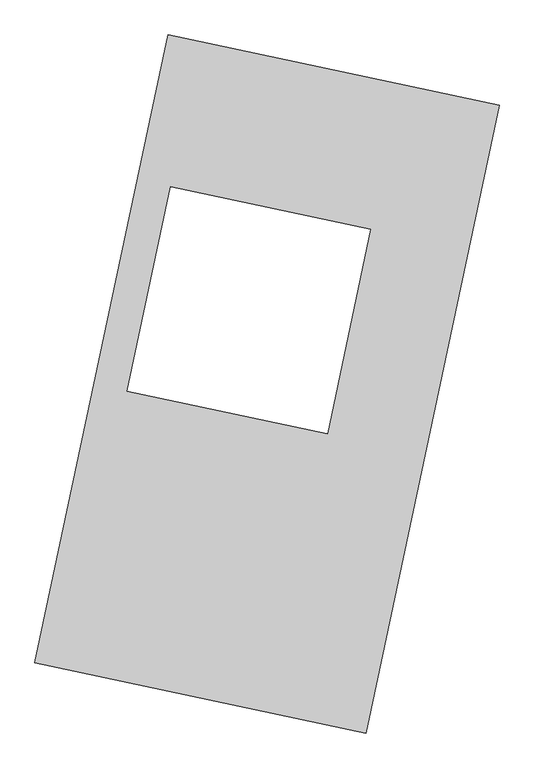
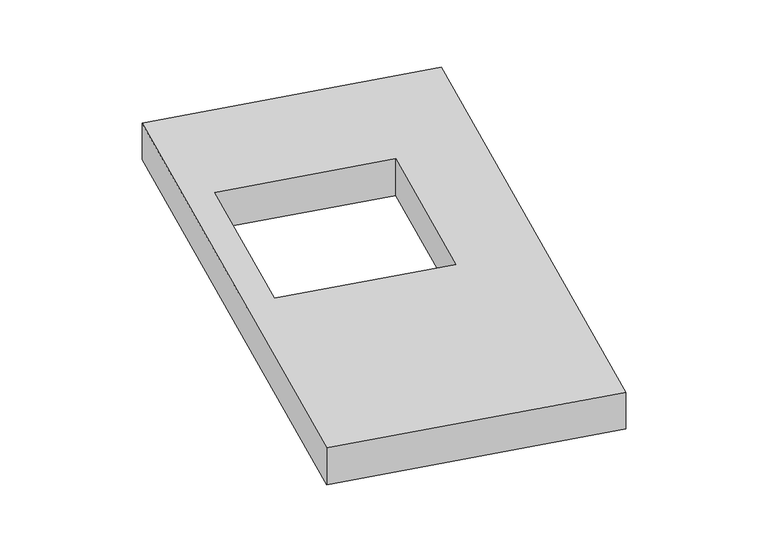
"""IFC4 building model written with IfcOpenShell, lengths in millimetres: proxy geometry."""

from ifc_helpers import new_model, si_unit, origin, origin_with_axes, place, context, project, spatial, polyline, outline, extrude, source, transform, mapped, element, save


def generic_models_0a6ed27d(model_context):
    return source(origin(), model_context, "Body", "SweptSolid", [
        extrude(outline(polyline([(-617.3692021, 2175.5580432), (1447.7508745, 1737.3010494), (617.3692021, -2175.5580432), (-1447.7508745, -1737.3010494), (-617.3692021, 2175.5580432)]), holes=[polyline([(646.3173568, 964.0018043), (-601.4626147, 1228.8039847), (-871.7019295, -44.5964226), (376.0780421, -309.3986031), (646.3173568, 964.0018043)])]), origin_with_axes(), (0.0, 0.0, 1.0), 300.0),
    ])


if __name__ == "__main__":
    model = new_model("IFC4")
    model_context = context("Model", 3, world=origin())
    ifc_project = project(units=[si_unit("LENGTHUNIT", "METRE", prefix="MILLI")], contexts=[model_context])
    site = spatial("IfcSite", under=ifc_project)
    building = spatial("IfcBuilding", under=site)
    placement = place(None, origin())
    generic_models_shape = generic_models_0a6ed27d(model_context)
    element("IfcBuildingElementProxy", 1, Name="Generic Models", at=placement, inside=building, context=model_context, shape_type="MappedRepresentation", body=[
        mapped(generic_models_shape, transform((0.0, 0.0, 0.0), x_axis=(1.0, 0.0, 0.0), y_axis=(0.0, 1.0, 0.0), z_axis=(0.0, 0.0, 1.0))),
    ])
    save(model, "model.ifc")
